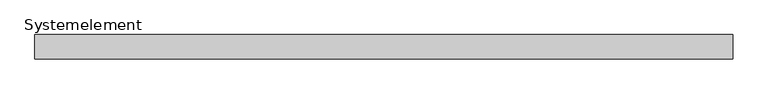
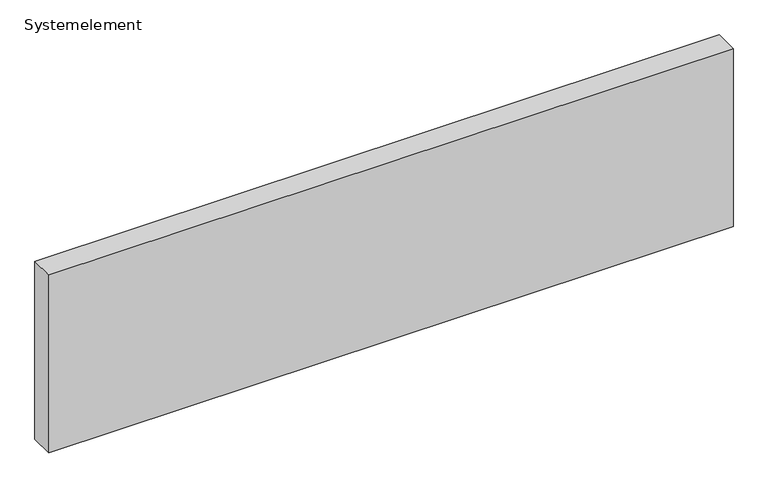
"""IFC4 building model written with IfcOpenShell, lengths in millimetres: plate geometry, Systemelement."""

from ifc_helpers import new_model, si_unit, origin, origin_with_axes, place, context, project, spatial, polyline, outline, extrude, source, transform, mapped, element, save


def systemelement_866c96dc(model_context):
    return source(origin(), model_context, "Body", "SweptSolid", [
        extrude(outline(polyline([(2000.0, -140.0), (-2000.0, -140.0), (-2000.0, 0.0), (2000.0, 0.0), (2000.0, -140.0)])), origin_with_axes(), (0.0, 0.0, 1.0), 1100.0),
    ])


if __name__ == "__main__":
    model = new_model("IFC4")
    model_context = context("Model", 3, world=origin())
    ifc_project = project(units=[si_unit("LENGTHUNIT", "METRE", prefix="MILLI")], contexts=[model_context])
    site = spatial("IfcSite", under=ifc_project)
    building = spatial("IfcBuilding", under=site)
    placement = place(None, origin())
    systemelement_shape = systemelement_866c96dc(model_context)
    element("IfcPlate", 1, ObjectType="Systemelement", at=placement, inside=building, context=model_context, shape_type="MappedRepresentation", body=[
        mapped(systemelement_shape, transform((0.0, 0.0, 0.0), x_axis=(1.0, 0.0, 0.0), y_axis=(0.0, 1.0, 0.0), z_axis=(0.0, 0.0, 1.0))),
    ])
    save(model, "model.ifc")
